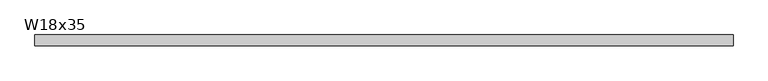
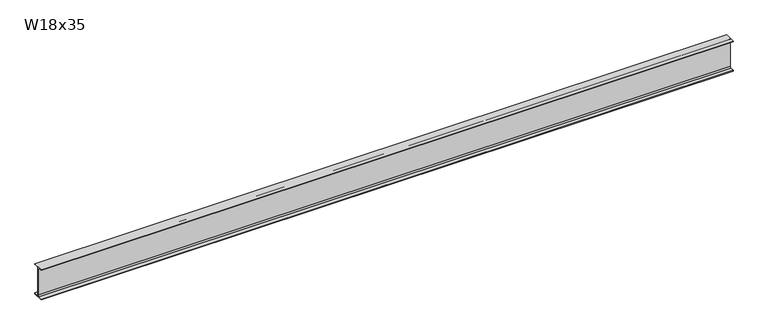
"""IFC4 building model written with IfcOpenShell, lengths in millimetres: beam geometry, W18x35."""

from ifc_helpers import new_model, si_unit, point, frame, frame_2d, origin, place, context, project, spatial, polyline, circle_curve, trimmed, segment, composite_curve, outline, extrude, source, transform, mapped, element, save


def w18x35_65bf10fe(model_context):
    return source(origin(), model_context, "Body", "SweptSolid", [
        extrude(outline(composite_curve([segment(polyline([(76.2, -213.995), (76.2, -224.79), (-76.2, -224.79), (-76.2, -213.995), (-21.59, -213.995)]), True, "CONTINUOUS"), segment(trimmed(circle_curve(frame_2d((-21.59, -196.215)), 17.78), [point((-21.59, -213.995))], [point((-3.81, -196.215))], True, "CARTESIAN"), True, "CONTINUOUS"), segment(polyline([(-3.81, -196.215), (-3.81, 196.215)]), True, "CONTINUOUS"), segment(trimmed(circle_curve(frame_2d((-21.59, 196.215)), 17.78), [point((-3.81, 196.215))], [point((-21.59, 213.995))], True, "CARTESIAN"), True, "CONTINUOUS"), segment(polyline([(-21.59, 213.995), (-76.2, 213.995), (-76.2, 224.79), (76.2, 224.79), (76.2, 213.995), (21.59, 213.995)]), True, "CONTINUOUS"), segment(trimmed(circle_curve(frame_2d((21.59, 196.215)), 17.78), [point((21.59, 213.995))], [point((3.81, 196.215))], True, "CARTESIAN"), True, "CONTINUOUS"), segment(polyline([(3.81, 196.215), (3.81, -196.215)]), True, "CONTINUOUS"), segment(trimmed(circle_curve(frame_2d((21.59, -196.215)), 17.78), [point((3.81, -196.215))], [point((21.59, -213.995))], True, "CARTESIAN"), True, "CONTINUOUS"), segment(polyline([(21.59, -213.995), (76.2, -213.995)]), True, "CONTINUOUS")], self_intersect=False)), frame((-4812.0113955, 0.0, 0.0), z_axis=(1.0, 0.0, 0.0), x_axis=(0.0, 1.0, 0.0)), (0.0, 0.0, 1.0), 9790.392791),
    ])


if __name__ == "__main__":
    model = new_model("IFC4")
    model_context = context("Model", 3, world=origin())
    ifc_project = project(units=[si_unit("LENGTHUNIT", "METRE", prefix="MILLI")], contexts=[model_context])
    site = spatial("IfcSite", under=ifc_project)
    building = spatial("IfcBuilding", under=site)
    placement = place(None, origin())
    w18x35_shape = w18x35_65bf10fe(model_context)
    element("IfcBeam", 1, ObjectType="W18x35", at=placement, inside=building, context=model_context, shape_type="MappedRepresentation", body=[
        mapped(w18x35_shape, transform((0.0, 0.0, 0.0), x_axis=(1.0, 0.0, 0.0), y_axis=(0.0, 1.0, 0.0), z_axis=(0.0, 0.0, 1.0))),
    ])
    save(model, "model.ifc")
